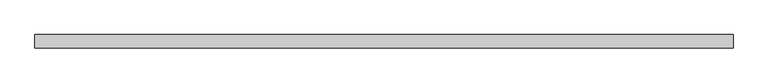
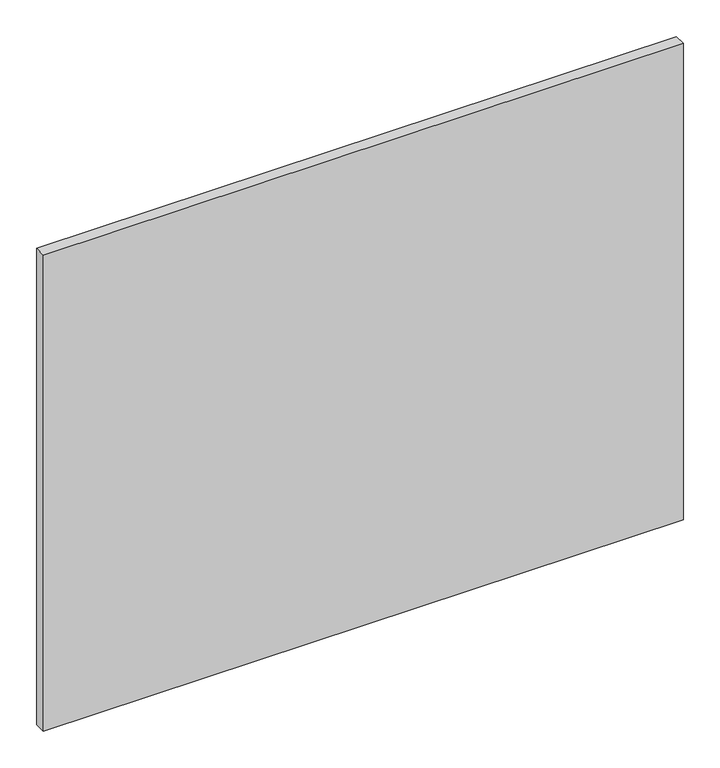
"""IFC4 building model written with IfcOpenShell, lengths in millimetres: proxy geometry."""

import ifcopenshell
import ifcopenshell.guid

model = None  # the IFC model being written
_history = None  # IfcOwnerHistory: only IFC2X3 demands one
_inside = {}  # id of a spatial element -> (the spatial element, [elements in it])
_under = {}  # id of a project, library or spatial element -> (it, [spatial elements below it])
_declared = {}  # id of a project -> (the project, [libraries it declares])
_typed = {}  # id of a type object -> (the type object, [elements of that type])
_made_of = {}  # id of a material, layer set ... -> (it, [elements and type objects made of it])


def new_model(schema):
    """Start an empty IFC model of exactly this schema.

    Asked for "IFC4X3", IfcOpenShell would pick the latest addendum, in which some entities
    have other attributes; the version numbers below select the first issue.
    IFC2X3 requires an IfcOwnerHistory on every rooted entity: one is made here for all.
    """
    global model, _history
    if schema == "IFC4X3":
        model = ifcopenshell.file(schema_version=(4, 3, 0, 0))
    else:
        model = ifcopenshell.file(schema=schema)
    _inside.clear()
    _under.clear()
    _declared.clear()
    _typed.clear()
    _made_of.clear()
    _history = None
    if model.schema == "IFC2X3":
        org = make("IfcOrganization", Name="unknown")
        user = make(
            "IfcPersonAndOrganization",
            ThePerson=make("IfcPerson", FamilyName="unknown"),
            TheOrganization=org,
        )
        app = make(
            "IfcApplication",
            ApplicationDeveloper=org,
            Version="unknown",
            ApplicationFullName="unknown",
            ApplicationIdentifier="unknown",
        )
        _history = make(
            "IfcOwnerHistory",
            OwningUser=user,
            OwningApplication=app,
            ChangeAction="ADDED",
            CreationDate=0,
        )
    return model


def make(cls, **values):
    """One entity of the class cls with the attributes given. An attribute that is None is left unset."""
    return model.create_entity(
        cls, **{name: value for name, value in values.items() if value is not None}
    )


def rooted(cls, **values):
    """An entity with a GlobalId (a new one), such as an element, a storey or a relation."""
    return make(cls, GlobalId=ifcopenshell.guid.new(), OwnerHistory=_history, **values)


def si_unit(unit_type, name, prefix=None):
    """IfcSIUnit, for example si_unit("LENGTHUNIT", "METRE", prefix="MILLI")."""
    return make("IfcSIUnit", UnitType=unit_type, Prefix=prefix, Name=name)


def assignment(units):
    """IfcUnitAssignment: the units of a project."""
    return None if units is None else make("IfcUnitAssignment", Units=units)


def point(xyz):
    """IfcCartesianPoint."""
    return None if xyz is None else make("IfcCartesianPoint", Coordinates=xyz)


def direction(xyz):
    """IfcDirection."""
    return None if xyz is None else make("IfcDirection", DirectionRatios=xyz)


def frame(location, z_axis=None, x_axis=None):
    """IfcAxis2Placement3D, a coordinate frame: its origin and axes. An axis left out is left unset."""
    return make(
        "IfcAxis2Placement3D",
        Location=point(location),
        Axis=direction(z_axis),
        RefDirection=direction(x_axis),
    )


def origin():
    """The frame at (0, 0, 0) with its axes left unset."""
    return frame((0.0, 0.0, 0.0))


def place(relative_to, where):
    """IfcLocalPlacement: puts the frame where relative to a parent placement (None: the world)."""
    return make(
        "IfcLocalPlacement", PlacementRelTo=relative_to, RelativePlacement=where
    )


def context(
    kind, dimensions, precision=None, world=None, true_north=None, identifier=None
):
    """IfcGeometricRepresentationContext, for example the 3D "Model" context."""
    return make(
        "IfcGeometricRepresentationContext",
        ContextIdentifier=identifier,
        ContextType=kind,
        CoordinateSpaceDimension=dimensions,
        Precision=precision,
        WorldCoordinateSystem=world,
        TrueNorth=true_north,
    )


def project(units=None, contexts=None):
    """IfcProject with its units and contexts."""
    return rooted(
        "IfcProject",
        Name="project",
        RepresentationContexts=contexts,
        UnitsInContext=assignment(units),
    )


def spatial(cls, under=None, at=None, **own):
    """A site, building, storey or space (cls), placed at a placement, below another one or the project."""
    s = rooted(cls, ObjectPlacement=at, **own)
    if under is not None:
        _under.setdefault(under.id(), (under, []))[1].append(s)
    return s


def polyline(points):
    """IfcPolyline through the points."""
    return make("IfcPolyline", Points=[point(p) for p in points])


def outline(outer, holes=None, kind="AREA"):
    """IfcArbitraryClosedProfileDef: a profile drawn as a closed curve; with holes, ...WithVoids."""
    if holes is None:
        return make("IfcArbitraryClosedProfileDef", ProfileType=kind, OuterCurve=outer)
    return make(
        "IfcArbitraryProfileDefWithVoids",
        ProfileType=kind,
        OuterCurve=outer,
        InnerCurves=holes,
    )


def extrude(swept, where, along, depth):
    """IfcExtrudedAreaSolid: the profile swept, set in the frame where, extruded along a direction by depth."""
    return make(
        "IfcExtrudedAreaSolid",
        SweptArea=swept,
        Position=where,
        ExtrudedDirection=direction(along),
        Depth=depth,
    )


def shape(context_of_items, identifier, shape_type, items):
    """IfcShapeRepresentation: the items that make up one representation, for example the "Body"."""
    return make(
        "IfcShapeRepresentation",
        ContextOfItems=context_of_items,
        RepresentationIdentifier=identifier,
        RepresentationType=shape_type,
        Items=items,
    )


def source(mapping_origin, context_of_items, identifier, shape_type, items):
    """IfcRepresentationMap: a shape defined once, which mapped items show again and again."""
    return make(
        "IfcRepresentationMap",
        MappingOrigin=mapping_origin,
        MappedRepresentation=shape(context_of_items, identifier, shape_type, items),
    )


def transform(
    local_origin,
    x_axis=None,
    y_axis=None,
    z_axis=None,
    scale=None,
    scale2=None,
    scale3=None,
    uniform=True,
):
    """IfcCartesianTransformationOperator3D, or its non-uniform kind. x_axis, y_axis, z_axis: its Axis1, 2, 3."""
    if uniform:
        return make(
            "IfcCartesianTransformationOperator3D",
            Axis1=direction(x_axis),
            Axis2=direction(y_axis),
            LocalOrigin=point(local_origin),
            Scale=scale,
            Axis3=direction(z_axis),
        )
    return make(
        "IfcCartesianTransformationOperator3DnonUniform",
        Axis1=direction(x_axis),
        Axis2=direction(y_axis),
        LocalOrigin=point(local_origin),
        Scale=scale,
        Axis3=direction(z_axis),
        Scale2=scale2,
        Scale3=scale3,
    )


def mapped(mapping_source, mapping_target):
    """IfcMappedItem: shows the shape of a source again, moved by a transform."""
    return make(
        "IfcMappedItem", MappingSource=mapping_source, MappingTarget=mapping_target
    )


def made_of(thing, what):
    """Note that an element or type object is made of a material, layer set ...; save() writes the relation."""
    if what is not None:
        _made_of.setdefault(what.id(), (what, []))[1].append(thing)
    return thing


def element(
    cls,
    number,
    at=None,
    inside=None,
    cuts=None,
    type_object=None,
    material=None,
    context=None,
    identifier="Body",
    shape_type=None,
    held_by="IfcProductDefinitionShape",
    body=None,
    shapes=None,
    **own,
):
    """One element of the class cls, such as IfcWall. Its Tag is "e" and its number.

    at: its placement. inside: the storey or other place that contains it. cuts: it is an
    opening in that element (IfcRelVoidsElement). A single representation is given by context,
    identifier, shape_type and body (its items); several are given by shapes. held_by: the class
    of the entity that holds the representations. save() writes the other relations.
    """
    e = rooted(cls, Tag="e%d" % number, ObjectPlacement=at, **own)
    if body is not None:
        shapes = [shape(context, identifier, shape_type, body)]
    if shapes is not None:
        e.Representation = make(held_by, Representations=shapes)
    if inside is not None:
        _inside.setdefault(inside.id(), (inside, []))[1].append(e)
    if cuts is not None:
        rooted(
            "IfcRelVoidsElement", RelatingBuildingElement=cuts, RelatedOpeningElement=e
        )
    if type_object is not None:
        _typed.setdefault(type_object.id(), (type_object, []))[1].append(e)
    return made_of(e, material)


def aggregate(whole, parts):
    """IfcRelAggregates: a whole, such as a stair, and the parts it consists of."""
    return rooted("IfcRelAggregates", RelatingObject=whole, RelatedObjects=parts)


def save(model, path):
    """Write the relations noted so far, then the file.

    IfcRelAggregates (storeys below a building ...), IfcRelContainedInSpatialStructure (elements
    in a storey), IfcRelDefinesByType, IfcRelAssociatesMaterial and IfcRelDeclares: one each for
    every whole, place, type object, material and project.
    """
    for whole, parts in _under.values():
        aggregate(whole, parts)
    for where, things in _inside.values():
        rooted(
            "IfcRelContainedInSpatialStructure",
            RelatedElements=things,
            RelatingStructure=where,
        )
    for kind, things in _typed.values():
        rooted("IfcRelDefinesByType", RelatedObjects=things, RelatingType=kind)
    for what, things in _made_of.values():
        rooted("IfcRelAssociatesMaterial", RelatedObjects=things, RelatingMaterial=what)
    for by, libraries in _declared.values():
        rooted("IfcRelDeclares", RelatingContext=by, RelatedDefinitions=libraries)
    model.write(path)


def specialty_equipment_d46270f9(model_context):
    return source(origin(), model_context, "Body", "SweptSolid", [
        extrude(outline(polyline([(506.1204, 0.0), (506.1204, -19.05), (-506.1204, -19.05), (-506.1204, 0.0), (506.1204, 0.0)])), frame((0.0, 0.0, 3.175), z_axis=(0.0, 0.0, 1.0), x_axis=(1.0, 0.0, 0.0)), (0.0, 0.0, 1.0), 796.0868001),
    ])


if __name__ == "__main__":
    model = new_model("IFC4")
    model_context = context("Model", 3, world=origin())
    ifc_project = project(units=[si_unit("LENGTHUNIT", "METRE", prefix="MILLI")], contexts=[model_context])
    site = spatial("IfcSite", under=ifc_project)
    building = spatial("IfcBuilding", under=site)
    placement = place(None, origin())
    specialty_equipment_shape = specialty_equipment_d46270f9(model_context)
    element("IfcBuildingElementProxy", 1, Name="Specialty Equipment", at=placement, inside=building, context=model_context, shape_type="MappedRepresentation", body=[
        mapped(specialty_equipment_shape, transform((0.0, 0.0, 0.0), x_axis=(1.0, 0.0, 0.0), y_axis=(0.0, 1.0, 0.0), z_axis=(0.0, 0.0, 1.0))),
    ])
    save(model, "model.ifc")
